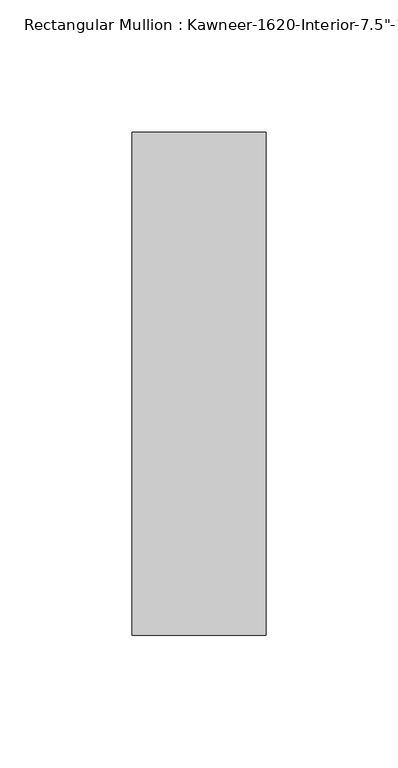
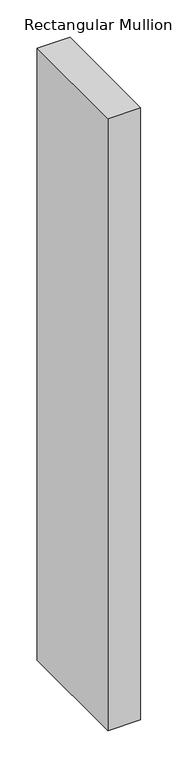
"""IFC4 building model written with IfcOpenShell, lengths in millimetres: member geometry."""

from ifc_helpers import new_model, si_unit, frame, origin, place, context, project, spatial, polyline, outline, extrude, source, transform, mapped, element, save


def member_a614a8ba(model_context):
    return source(origin(), model_context, "Body", "SweptSolid", [
        extrude(outline(polyline([(25.4, -152.4), (-25.4, -152.4), (-25.4, 38.1), (25.4, 38.1), (25.4, -152.4)])), frame((0.0, 0.0, -1003.3), z_axis=(0.0, 0.0, 1.0), x_axis=(1.0, 0.0, 0.0)), (0.0, 0.0, 1.0), 1003.3),
    ])


if __name__ == "__main__":
    model = new_model("IFC4")
    model_context = context("Model", 3, world=origin())
    ifc_project = project(units=[si_unit("LENGTHUNIT", "METRE", prefix="MILLI")], contexts=[model_context])
    site = spatial("IfcSite", under=ifc_project)
    building = spatial("IfcBuilding", under=site)
    placement = place(None, origin())
    member_shape = member_a614a8ba(model_context)
    element("IfcMember", 1, ObjectType="Rectangular Mullion : Kawneer-1620-Interior-7.5\"-1\"Infill", at=placement, inside=building, context=model_context, shape_type="MappedRepresentation", body=[
        mapped(member_shape, transform((0.0, 0.0, 0.0), x_axis=(1.0, 0.0, 0.0), y_axis=(0.0, 1.0, 0.0), z_axis=(0.0, 0.0, 1.0))),
    ])
    save(model, "model.ifc")
